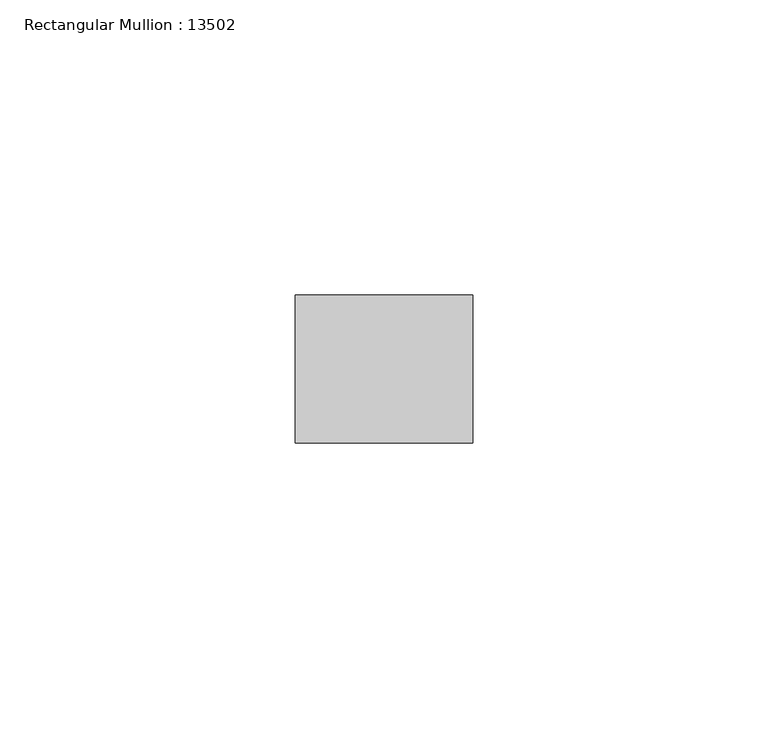
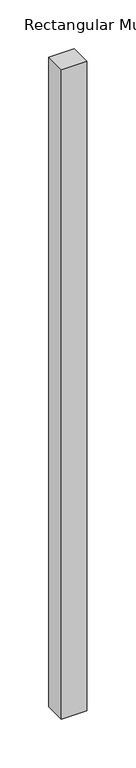
"""IFC4 building model written with IfcOpenShell, lengths in millimetres: member geometry, Rectangular Mullion : 13502."""

from ifc_helpers import new_model, si_unit, frame, origin, place, context, project, spatial, polyline, outline, extrude, source, transform, mapped, element, save


def rectangular_mullion_13502_c32f2f33(model_context):
    return source(origin(), model_context, "Body", "SweptSolid", [
        extrude(outline(polyline([(-29.9999993, -12.5), (-29.9999993, 12.5), (0.0, 12.5), (0.0, -12.5), (-29.9999993, -12.5)])), frame((0.0, 0.0, -810.0000007), z_axis=(0.0, 0.0, 1.0), x_axis=(1.0, 0.0, 0.0)), (0.0, 0.0, 1.0), 810.0000007),
    ])


if __name__ == "__main__":
    model = new_model("IFC4")
    model_context = context("Model", 3, world=origin())
    ifc_project = project(units=[si_unit("LENGTHUNIT", "METRE", prefix="MILLI")], contexts=[model_context])
    site = spatial("IfcSite", under=ifc_project)
    building = spatial("IfcBuilding", under=site)
    placement = place(None, origin())
    rectangular_mullion_13502_shape = rectangular_mullion_13502_c32f2f33(model_context)
    element("IfcMember", 1, ObjectType="Rectangular Mullion : 13502", at=placement, inside=building, context=model_context, shape_type="MappedRepresentation", body=[
        mapped(rectangular_mullion_13502_shape, transform((0.0, 0.0, 0.0), x_axis=(1.0, 0.0, 0.0), y_axis=(0.0, 1.0, 0.0), z_axis=(0.0, 0.0, 1.0))),
    ])
    save(model, "model.ifc")
